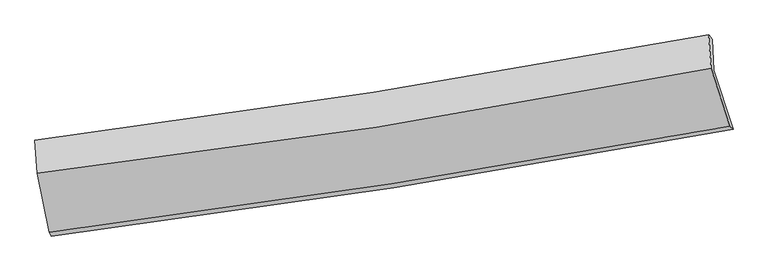
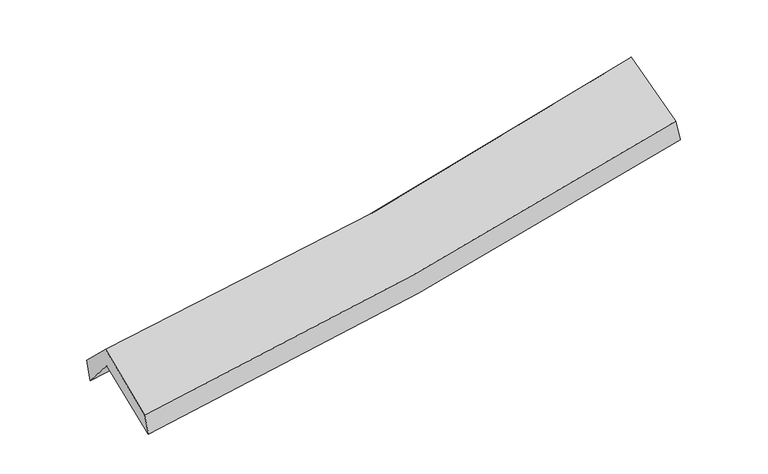
"""IFC4 building model written with IfcOpenShell, lengths in millimetres: proxy geometry."""

import ifcopenshell
import ifcopenshell.guid

model = None  # the IFC model being written
_history = None  # IfcOwnerHistory: only IFC2X3 demands one
_inside = {}  # id of a spatial element -> (the spatial element, [elements in it])
_under = {}  # id of a project, library or spatial element -> (it, [spatial elements below it])
_declared = {}  # id of a project -> (the project, [libraries it declares])
_typed = {}  # id of a type object -> (the type object, [elements of that type])
_made_of = {}  # id of a material, layer set ... -> (it, [elements and type objects made of it])


def new_model(schema):
    """Start an empty IFC model of exactly this schema.

    Asked for "IFC4X3", IfcOpenShell would pick the latest addendum, in which some entities
    have other attributes; the version numbers below select the first issue.
    IFC2X3 requires an IfcOwnerHistory on every rooted entity: one is made here for all.
    """
    global model, _history
    if schema == "IFC4X3":
        model = ifcopenshell.file(schema_version=(4, 3, 0, 0))
    else:
        model = ifcopenshell.file(schema=schema)
    _inside.clear()
    _under.clear()
    _declared.clear()
    _typed.clear()
    _made_of.clear()
    _history = None
    if model.schema == "IFC2X3":
        org = make("IfcOrganization", Name="unknown")
        user = make(
            "IfcPersonAndOrganization",
            ThePerson=make("IfcPerson", FamilyName="unknown"),
            TheOrganization=org,
        )
        app = make(
            "IfcApplication",
            ApplicationDeveloper=org,
            Version="unknown",
            ApplicationFullName="unknown",
            ApplicationIdentifier="unknown",
        )
        _history = make(
            "IfcOwnerHistory",
            OwningUser=user,
            OwningApplication=app,
            ChangeAction="ADDED",
            CreationDate=0,
        )
    return model


def make(cls, **values):
    """One entity of the class cls with the attributes given. An attribute that is None is left unset."""
    return model.create_entity(
        cls, **{name: value for name, value in values.items() if value is not None}
    )


def rooted(cls, **values):
    """An entity with a GlobalId (a new one), such as an element, a storey or a relation."""
    return make(cls, GlobalId=ifcopenshell.guid.new(), OwnerHistory=_history, **values)


def si_unit(unit_type, name, prefix=None):
    """IfcSIUnit, for example si_unit("LENGTHUNIT", "METRE", prefix="MILLI")."""
    return make("IfcSIUnit", UnitType=unit_type, Prefix=prefix, Name=name)


def assignment(units):
    """IfcUnitAssignment: the units of a project."""
    return None if units is None else make("IfcUnitAssignment", Units=units)


def point(xyz):
    """IfcCartesianPoint."""
    return None if xyz is None else make("IfcCartesianPoint", Coordinates=xyz)


def direction(xyz):
    """IfcDirection."""
    return None if xyz is None else make("IfcDirection", DirectionRatios=xyz)


def frame(location, z_axis=None, x_axis=None):
    """IfcAxis2Placement3D, a coordinate frame: its origin and axes. An axis left out is left unset."""
    return make(
        "IfcAxis2Placement3D",
        Location=point(location),
        Axis=direction(z_axis),
        RefDirection=direction(x_axis),
    )


def origin():
    """The frame at (0, 0, 0) with its axes left unset."""
    return frame((0.0, 0.0, 0.0))


def place(relative_to, where):
    """IfcLocalPlacement: puts the frame where relative to a parent placement (None: the world)."""
    return make(
        "IfcLocalPlacement", PlacementRelTo=relative_to, RelativePlacement=where
    )


def context(
    kind, dimensions, precision=None, world=None, true_north=None, identifier=None
):
    """IfcGeometricRepresentationContext, for example the 3D "Model" context."""
    return make(
        "IfcGeometricRepresentationContext",
        ContextIdentifier=identifier,
        ContextType=kind,
        CoordinateSpaceDimension=dimensions,
        Precision=precision,
        WorldCoordinateSystem=world,
        TrueNorth=true_north,
    )


def project(units=None, contexts=None):
    """IfcProject with its units and contexts."""
    return rooted(
        "IfcProject",
        Name="project",
        RepresentationContexts=contexts,
        UnitsInContext=assignment(units),
    )


def spatial(cls, under=None, at=None, **own):
    """A site, building, storey or space (cls), placed at a placement, below another one or the project."""
    s = rooted(cls, ObjectPlacement=at, **own)
    if under is not None:
        _under.setdefault(under.id(), (under, []))[1].append(s)
    return s


def shape(context_of_items, identifier, shape_type, items):
    """IfcShapeRepresentation: the items that make up one representation, for example the "Body"."""
    return make(
        "IfcShapeRepresentation",
        ContextOfItems=context_of_items,
        RepresentationIdentifier=identifier,
        RepresentationType=shape_type,
        Items=items,
    )


def source(mapping_origin, context_of_items, identifier, shape_type, items):
    """IfcRepresentationMap: a shape defined once, which mapped items show again and again."""
    return make(
        "IfcRepresentationMap",
        MappingOrigin=mapping_origin,
        MappedRepresentation=shape(context_of_items, identifier, shape_type, items),
    )


def transform(
    local_origin,
    x_axis=None,
    y_axis=None,
    z_axis=None,
    scale=None,
    scale2=None,
    scale3=None,
    uniform=True,
):
    """IfcCartesianTransformationOperator3D, or its non-uniform kind. x_axis, y_axis, z_axis: its Axis1, 2, 3."""
    if uniform:
        return make(
            "IfcCartesianTransformationOperator3D",
            Axis1=direction(x_axis),
            Axis2=direction(y_axis),
            LocalOrigin=point(local_origin),
            Scale=scale,
            Axis3=direction(z_axis),
        )
    return make(
        "IfcCartesianTransformationOperator3DnonUniform",
        Axis1=direction(x_axis),
        Axis2=direction(y_axis),
        LocalOrigin=point(local_origin),
        Scale=scale,
        Axis3=direction(z_axis),
        Scale2=scale2,
        Scale3=scale3,
    )


def mapped(mapping_source, mapping_target):
    """IfcMappedItem: shows the shape of a source again, moved by a transform."""
    return make(
        "IfcMappedItem", MappingSource=mapping_source, MappingTarget=mapping_target
    )


def made_of(thing, what):
    """Note that an element or type object is made of a material, layer set ...; save() writes the relation."""
    if what is not None:
        _made_of.setdefault(what.id(), (what, []))[1].append(thing)
    return thing


def element(
    cls,
    number,
    at=None,
    inside=None,
    cuts=None,
    type_object=None,
    material=None,
    context=None,
    identifier="Body",
    shape_type=None,
    held_by="IfcProductDefinitionShape",
    body=None,
    shapes=None,
    **own,
):
    """One element of the class cls, such as IfcWall. Its Tag is "e" and its number.

    at: its placement. inside: the storey or other place that contains it. cuts: it is an
    opening in that element (IfcRelVoidsElement). A single representation is given by context,
    identifier, shape_type and body (its items); several are given by shapes. held_by: the class
    of the entity that holds the representations. save() writes the other relations.
    """
    e = rooted(cls, Tag="e%d" % number, ObjectPlacement=at, **own)
    if body is not None:
        shapes = [shape(context, identifier, shape_type, body)]
    if shapes is not None:
        e.Representation = make(held_by, Representations=shapes)
    if inside is not None:
        _inside.setdefault(inside.id(), (inside, []))[1].append(e)
    if cuts is not None:
        rooted(
            "IfcRelVoidsElement", RelatingBuildingElement=cuts, RelatedOpeningElement=e
        )
    if type_object is not None:
        _typed.setdefault(type_object.id(), (type_object, []))[1].append(e)
    return made_of(e, material)


def aggregate(whole, parts):
    """IfcRelAggregates: a whole, such as a stair, and the parts it consists of."""
    return rooted("IfcRelAggregates", RelatingObject=whole, RelatedObjects=parts)


def save(model, path):
    """Write the relations noted so far, then the file.

    IfcRelAggregates (storeys below a building ...), IfcRelContainedInSpatialStructure (elements
    in a storey), IfcRelDefinesByType, IfcRelAssociatesMaterial and IfcRelDeclares: one each for
    every whole, place, type object, material and project.
    """
    for whole, parts in _under.values():
        aggregate(whole, parts)
    for where, things in _inside.values():
        rooted(
            "IfcRelContainedInSpatialStructure",
            RelatedElements=things,
            RelatingStructure=where,
        )
    for kind, things in _typed.values():
        rooted("IfcRelDefinesByType", RelatedObjects=things, RelatingType=kind)
    for what, things in _made_of.values():
        rooted("IfcRelAssociatesMaterial", RelatedObjects=things, RelatingMaterial=what)
    for by, libraries in _declared.values():
        rooted("IfcRelDeclares", RelatingContext=by, RelatedDefinitions=libraries)
    model.write(path)


def plane_surface(at):
    """IfcPlane: the flat surface through the origin of the frame at, square to its z axis."""
    return make("IfcPlane", Position=at)


def spline_curve(degree, points, multiplicities, knots, weights=None):
    """IfcBSplineCurveWithKnots; with weights, IfcRationalBSplineCurveWithKnots."""
    own = dict(
        Degree=degree,
        ControlPointsList=[point(p) for p in points],
        CurveForm="UNSPECIFIED",
        ClosedCurve=False,
        SelfIntersect=False,
        KnotMultiplicities=multiplicities,
        Knots=knots,
        KnotSpec="UNSPECIFIED",
    )
    if weights is None:
        return make("IfcBSplineCurveWithKnots", **own)
    return make("IfcRationalBSplineCurveWithKnots", WeightsData=weights, **own)


def spline_surface(u_degree, v_degree, points, u_multiplicities, v_multiplicities, u_knots, v_knots, weights=None):
    """IfcBSplineSurfaceWithKnots; with weights, IfcRationalBSplineSurfaceWithKnots. points: one row for each step in u."""
    own = dict(
        UDegree=u_degree,
        VDegree=v_degree,
        ControlPointsList=[[point(p) for p in row] for row in points],
        SurfaceForm="UNSPECIFIED",
        UClosed=False,
        VClosed=False,
        SelfIntersect=False,
        UMultiplicities=u_multiplicities,
        VMultiplicities=v_multiplicities,
        UKnots=u_knots,
        VKnots=v_knots,
        KnotSpec="UNSPECIFIED",
    )
    if weights is None:
        return make("IfcBSplineSurfaceWithKnots", **own)
    return make("IfcRationalBSplineSurfaceWithKnots", WeightsData=weights, **own)


def advanced_brep(points, edges, surfaces, faces):
    """IfcAdvancedBrep: a solid bounded by faces that lie on surfaces and meet in shared edges.

    An edge is (start, end): straight between two places in points (the first is 0);
    or (start, end, curve); or (start, end, curve, False) where it runs against its curve.
    A face is (place in surfaces, loops), or (place, loops, False) where it looks against
    its surface's normal. A loop lists edges by number (the first is 1), with a minus sign
    where the edge is run from its end to its start. The first loop is the outer one.
    """
    corners = [point(p) for p in points]
    vertices = [make("IfcVertexPoint", VertexGeometry=c) for c in corners]
    made = []
    for start, end, *more in edges:
        made.append(
            make(
                "IfcEdgeCurve",
                EdgeStart=vertices[start],
                EdgeEnd=vertices[end],
                EdgeGeometry=more[0] if more else make("IfcPolyline", Points=[corners[start], corners[end]]),
                SameSense=more[1] if len(more) > 1 else True,
            )
        )
    hull = []
    for where, loops, *sense in faces:
        bounds = []
        for j, loop in enumerate(loops):
            ring = [make("IfcOrientedEdge", EdgeElement=made[abs(k) - 1], Orientation=k > 0) for k in loop]
            bounds.append(
                make(
                    "IfcFaceOuterBound" if j == 0 else "IfcFaceBound",
                    Bound=make("IfcEdgeLoop", EdgeList=ring),
                    Orientation=True,
                )
            )
        hull.append(make("IfcAdvancedFace", Bounds=bounds, FaceSurface=surfaces[where], SameSense=sense[0] if sense else True))
    return make("IfcAdvancedBrep", Outer=make("IfcClosedShell", CfsFaces=hull))


def generic_models_875b72e5(model_context):
    return source(origin(), model_context, "Body", "AdvancedBrep", [
        advanced_brep(
        [(-2694.3975778, -2497.0827683, 1467.6179893), (-2794.5708771, -1987.860702, 1886.0580965), (2714.4920856, -1144.1900516, 2390.9837168), (2870.49281, -1626.5668574, 1958.3462837), (-2810.2181263, -1737.9123042, 1587.9561947), (2701.0281667, -892.558902, 2075.1499434), (-2826.7567038, -1714.4256993, 1786.2646122), (2671.1911414, -856.3213316, 2252.1155806), (-2805.7715832, -1986.9247739, 2052.2922702), (2691.6278835, -1126.8578615, 2544.1454452), (-2710.5696447, -2466.6710315, 1645.6508627), (2842.7109762, -1601.8649212, 2138.3250623)],
        [
            (0, 1),
            (1, 2, spline_curve(3, [(-2794.5708771, -1987.860702, 1886.0580965), (-1866.821863678, -1881.238746546, 1938.895357749), (-943.178023141, -1757.491104686, 2007.477601197), (893.15180262, -1476.165367154, 2175.880090474), (1805.862282954, -1318.68945863, 2275.606386917), (2714.4920856, -1144.1900516, 2390.9837168)], [4, 2, 4], [0.0, 9.24412015157308, 18.460619598129494])),
            (2, 3),
            (3, 0, spline_curve(3, [(2870.49281, -1626.5668574, 1958.3462837), (1951.175084247, -1799.360232932, 1848.648572446), (1028.474272286, -1958.212264703, 1752.945907135), (-826.468882396, -2248.467921447, 1589.28580027), (-1758.731533196, -2379.787859548, 1521.412367645), (-2694.3975778, -2497.0827683, 1467.6179893)], [4, 2, 4], [0.0, 9.216499446556414, 18.460619598129494])),
            (1, 4),
            (4, 5, spline_curve(3, [(-2810.2181263, -1737.9123042, 1587.9561947), (-1883.109497963, -1625.583591961, 1636.703232897), (-959.602882136, -1498.846191601, 1701.761343689), (877.457722825, -1216.975748825, 1864.256586979), (1791.033204449, -1061.928681622, 1961.596392173), (2701.0281667, -892.558902, 2075.1499434)], [4, 2, 4], [0.0, 9.197619974971511, 18.367758183802106])),
            (5, 2),
            (4, 6),
            (6, 7, spline_curve(3, [(-2826.7567038, -1714.4256993, 1786.2646122), (-1901.252688492, -1598.36766349, 1821.797908949), (-979.658701067, -1468.702628706, 1878.475143471), (852.967249668, -1182.586647878, 2033.884963579), (1764.022544036, -1026.216893119, 2132.491385396), (2671.1911414, -856.3213316, 2252.1155806)], [4, 2, 4], [0.0, 9.18789407073503, 18.34833543556717])),
            (7, 5),
            (6, 8),
            (8, 9, spline_curve(3, [(-2805.7715832, -1986.9247739, 2052.2922702), (-1878.44224807, -1879.906204926, 2092.224604007), (-955.982801626, -1754.590106182, 2153.271405356), (876.454628891, -1467.791955461, 2317.348451825), (1786.461671481, -1306.419083388, 2420.252708733), (2691.6278835, -1126.8578615, 2544.1454452)], [4, 2, 4], [0.0, 9.179830110525558, 18.332231609628018])),
            (9, 7),
            (8, 10),
            (10, 11, spline_curve(3, [(-2710.5696447, -2466.6710315, 1645.6508627), (-1777.228172182, -2346.385575217, 1696.418550974), (-847.096446656, -2214.049841873, 1762.943547291), (1003.977941579, -1925.709235586, 1927.262303046), (1924.939756227, -1769.776265267, 2024.962039982), (2842.7109762, -1601.8649212, 2138.3250623)], [4, 2, 4], [0.0, 9.226481520487877, 18.425395038803504])),
            (11, 9),
            (10, 0),
            (3, 11),
        ],
        [
            spline_surface(3, 3, [[(-2694.3975778, -2497.0827683, 1467.6179893), (-1758.731533109, -2379.787859586, 1521.412367642), (-826.468882484, -2248.467921294, 1589.285800381), (1028.474272374, -1958.212264855, 1752.945907024), (1951.175084306, -1799.3602328, 1848.648572448), (2870.49281, -1626.5668574, 1958.3462837)], [(-2727.788677566, -2327.342079561, 1607.098025035), (-1794.761643275, -2213.604821915, 1660.573364307), (-865.371929379, -2084.808982464, 1728.683067341), (983.36678243, -1797.529965616, 1893.923968125), (1902.737483859, -1639.136641429, 1990.96784391), (2818.492568541, -1465.774588789, 2102.558761406)], [(-2761.179777334, -2157.601390739, 1746.578060765), (-1830.791753444, -2047.421784162, 1799.734360966), (-904.274976221, -1921.150043584, 1868.080334343), (938.259292538, -1636.847666326, 2034.902029267), (1854.299883389, -1478.91305009, 2133.287115356), (2766.492327059, -1304.982320211, 2246.771239094)], [(-2794.5708771, -1987.860702, 1886.0580965), (-1866.82186361, -1881.238746491, 1938.895357632), (-943.178023115, -1757.491104754, 2007.477601303), (893.151802594, -1476.165367087, 2175.880090368), (1805.862282942, -1318.68945872, 2275.606386819), (2714.4920856, -1144.1900516, 2390.9837168)]], [4, 4], [4, 2, 4], [0.0, 2.1500068671999637], [0.0, 9.24412015157308, 18.460619598129494]),
            spline_surface(3, 3, [[(-2794.5708771, -1987.860702, 1886.0580965), (-1866.82186361, -1881.238746491, 1938.895357632), (-943.178023115, -1757.491104754, 2007.477601303), (893.151802594, -1476.165367087, 2175.880090368), (1805.862282942, -1318.68945872, 2275.606386819), (2714.4920856, -1144.1900516, 2390.9837168)], [(-2799.786626833, -1904.5445694, 1786.690795898), (-1872.251075077, -1796.020361612, 1838.164649352), (-948.652976078, -1671.276133723, 1905.572182146), (887.920442652, -1389.768827667, 2072.005589192), (1800.919256745, -1233.102533029, 2170.936388562), (2710.004112614, -1060.313001731, 2285.705792326)], [(-2805.002376567, -1821.2284368, 1687.323495302), (-1877.680286546, -1710.801976735, 1737.433941079), (-954.127929079, -1585.061162662, 1803.666762988), (882.689082673, -1303.372288215, 1968.131088014), (1795.976230607, -1147.515607345, 2066.266390328), (2705.516139686, -976.435951869, 2180.427867874)], [(-2810.2181263, -1737.9123042, 1587.9561947), (-1883.109498013, -1625.583591856, 1636.703232799), (-959.602882042, -1498.846191631, 1701.761343831), (877.457722731, -1216.975748795, 1864.256586838), (1791.03320441, -1061.928681653, 1961.596392071), (2701.0281667, -892.558902, 2075.1499434)]], [4, 4], [4, 2, 4], [0.0, 1.322822672651568], [0.0, 9.197619974971511, 18.367758183802106]),
            spline_surface(3, 3, [[(-2810.2181263, -1737.9123042, 1587.9561947), (-1883.109498013, -1625.583591856, 1636.703232799), (-959.602882042, -1498.846191631, 1701.761343831), (877.457722731, -1216.975748795, 1864.256586838), (1791.03320441, -1061.928681653, 1961.596392071), (2701.0281667, -892.558902, 2075.1499434)], [(-2815.730985439, -1730.083435892, 1654.059000518), (-1889.157228146, -1616.511615706, 1698.401458209), (-966.288155085, -1488.798337362, 1760.665943708), (869.29423174, -1205.512715126, 1920.799379122), (1782.029651015, -1050.024752165, 2018.561389866), (2691.08249162, -880.47971188, 2134.138489148)], [(-2821.243844661, -1722.254567608, 1720.161806382), (-1895.204958362, -1607.439639578, 1760.099683666), (-972.97342812, -1478.750483079, 1819.570543533), (861.130740756, -1194.049681442, 1977.342171356), (1773.026097561, -1038.120822636, 2075.526387618), (2681.13681648, -868.40052172, 2193.127034852)], [(-2826.7567038, -1714.4256993, 1786.2646122), (-1901.252688495, -1598.367663427, 1821.797909076), (-979.658701163, -1468.70262881, 1878.47514341), (852.967249764, -1182.586647773, 2033.88496364), (1764.022544165, -1026.216893148, 2132.491385412), (2671.1911414, -856.3213316, 2252.1155806)]], [4, 4], [4, 2, 4], [0.0, 0.5825538650337263], [0.0, 9.18789407073503, 18.34833543556717]),
            spline_surface(3, 3, [[(-2826.7567038, -1714.4256993, 1786.2646122), (-1901.252688495, -1598.367663427, 1821.797909076), (-979.658701163, -1468.70262881, 1878.47514341), (852.967249764, -1182.586647773, 2033.88496364), (1764.022544165, -1026.216893148, 2132.491385412), (2671.1911414, -856.3213316, 2252.1155806)], [(-2819.761663618, -1805.258724172, 1874.940498218), (-1893.649208421, -1692.213843904, 1911.940140698), (-971.766734669, -1563.99845457, 1970.073897353), (860.796376179, -1277.655083671, 2128.372793032), (1771.502253214, -1119.617623235, 2228.411826548), (2678.003388747, -946.500174888, 2349.458868809)], [(-2812.766623382, -1896.091749028, 1963.616384182), (-1886.045728293, -1786.060024365, 2002.082372268), (-963.874768206, -1659.294280373, 2061.672651359), (868.625502561, -1372.723519612, 2222.860622487), (1778.981962322, -1213.01835336, 2324.332267656), (2684.815636153, -1036.679018212, 2446.802156991)], [(-2805.7715832, -1986.9247739, 2052.2922702), (-1878.442248219, -1879.906204842, 2092.22460389), (-955.982801711, -1754.590106133, 2153.271405302), (876.454628975, -1467.79195551, 2317.348451879), (1786.461671371, -1306.419083447, 2420.252708791), (2691.6278835, -1126.8578615, 2544.1454452)]], [4, 4], [4, 2, 4], [0.0, 1.3123345704960767], [0.0, 9.179830110525558, 18.332231609628018]),
            spline_surface(3, 3, [[(-2805.7715832, -1986.9247739, 2052.2922702), (-1878.442248219, -1879.906204842, 2092.22460389), (-955.982801711, -1754.590106133, 2153.271405302), (876.454628975, -1467.79195551, 2317.348451879), (1786.461671371, -1306.419083447, 2420.252708791), (2691.6278835, -1126.8578615, 2544.1454452)], [(-2774.037603682, -2146.840193087, 1916.745134374), (-1844.704222883, -2035.399328287, 1960.28925292), (-919.687349979, -1907.743351407, 2023.162119324), (918.962399807, -1620.431048855, 2187.319735614), (1832.621032931, -1460.871477426, 2288.489152483), (2741.988914392, -1285.193548074, 2408.871984227)], [(-2742.303624218, -2306.755612313, 1781.197998526), (-1810.966197601, -2190.89245177, 1828.353901928), (-883.391898263, -2060.89659666, 1893.052833289), (961.470170622, -1773.07014218, 2057.29101929), (1878.780394517, -1615.323871381, 2156.725596196), (2792.349945308, -1443.529234626, 2273.598523273)], [(-2710.5696447, -2466.6710315, 1645.6508627), (-1777.228172265, -2346.385575215, 1696.418550957), (-847.096446531, -2214.049841934, 1762.943547312), (1003.977941454, -1925.709235525, 1927.262303025), (1924.939756077, -1769.77626536, 2024.962039888), (2842.7109762, -1601.8649212, 2138.3250623)]], [4, 4], [4, 2, 4], [0.0, 2.0134440192935585], [0.0, 9.226481520487877, 18.425395038803504]),
            spline_surface(3, 3, [[(-2710.5696447, -2466.6710315, 1645.6508627), (-1777.228172265, -2346.385575215, 1696.418550957), (-847.096446531, -2214.049841934, 1762.943547312), (1003.977941454, -1925.709235525, 1927.262303025), (1924.939756077, -1769.77626536, 2024.962039888), (2842.7109762, -1601.8649212, 2138.3250623)], [(-2705.178955763, -2476.808277087, 1586.306571557), (-1771.062625909, -2357.519669993, 1638.08315651), (-840.220591857, -2225.52253503, 1705.057631667), (1012.143385086, -1936.543578611, 1869.15683769), (1933.684865508, -1779.637587845, 1966.19088406), (2851.971587488, -1610.098899938, 2078.332136085)], [(-2699.788266737, -2486.945522713, 1526.962280443), (-1764.897079465, -2368.653764808, 1579.74776209), (-833.344737158, -2236.995228198, 1647.171716026), (1020.308828742, -1947.377921769, 1811.051372359), (1942.429974875, -1789.498910315, 1907.419728276), (2861.232198712, -1618.332878662, 2018.339209915)], [(-2694.3975778, -2497.0827683, 1467.6179893), (-1758.731533109, -2379.787859586, 1521.412367642), (-826.468882484, -2248.467921294, 1589.285800381), (1028.474272374, -1958.212264855, 1752.945907024), (1951.175084306, -1799.3602328, 1848.648572448), (2870.49281, -1626.5668574, 1958.3462837)]], [4, 4], [4, 2, 4], [0.0, 0.585974371085209], [0.0, 9.281167573906703, 18.534603748008365]),
            plane_surface(frame((2748.5905106, -1208.0599876, 2226.5110053), z_axis=(0.9711873079661442, 0.20484143798217608, 0.12179982812331315), x_axis=(0.23505150902752764, -0.7390047702229315, -0.6313657717136988))),
            plane_surface(frame((-2773.7140855, -2065.1462132, 1737.6400043), z_axis=(-0.9879227734645687, -0.14029320481206556, -0.06577545403594312), x_axis=(-0.08918373669715585, 0.1677109274568949, 0.9817939223280416))),
        ],
        [
            (0, [[1, 2, 3, 4]]),
            (1, [[5, 6, 7, -2]]),
            (2, [[8, 9, 10, -6]]),
            (3, [[11, 12, 13, -9]]),
            (4, [[14, 15, 16, -12]]),
            (5, [[17, -4, 18, -15]]),
            (6, [[-16, -18, -3, -7, -10, -13]]),
            (7, [[-17, -14, -11, -8, -5, -1]]),
        ],
    ),
    ])


if __name__ == "__main__":
    model = new_model("IFC4")
    model_context = context("Model", 3, world=origin())
    ifc_project = project(units=[si_unit("LENGTHUNIT", "METRE", prefix="MILLI")], contexts=[model_context])
    site = spatial("IfcSite", under=ifc_project)
    building = spatial("IfcBuilding", under=site)
    placement = place(None, origin())
    generic_models_shape = generic_models_875b72e5(model_context)
    element("IfcBuildingElementProxy", 1, Name="Generic Models", at=placement, inside=building, context=model_context, shape_type="MappedRepresentation", body=[
        mapped(generic_models_shape, transform((0.0, 0.0, 0.0), x_axis=(1.0, 0.0, 0.0), y_axis=(0.0, 1.0, 0.0), z_axis=(0.0, 0.0, 1.0))),
    ])
    save(model, "model.ifc")
